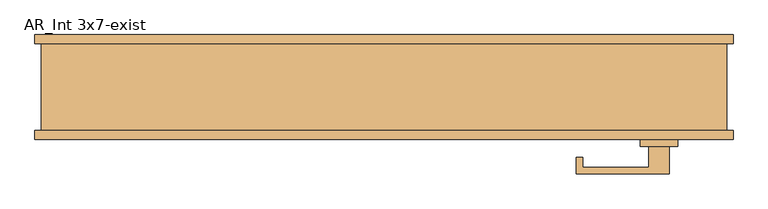
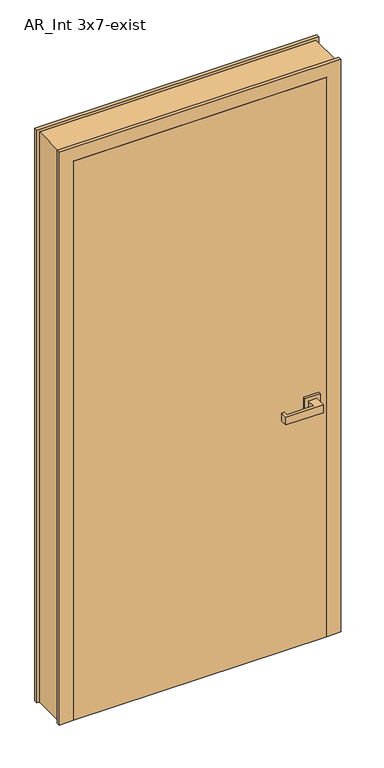
"""IFC4 building model written with IfcOpenShell, lengths in millimetres: door geometry, AR_Int 3x7-exist."""

from ifc_helpers import new_model, si_unit, frame, origin, origin_with_axes, place, context, project, spatial, polyline, outline, extrude, faceted_brep, source, transform, mapped, element, save


def ar_int_3x7_exist_f896f94a(model_context):
    return source(origin(), model_context, "Body", "SolidModel", [
        faceted_brep([(-406.5493445, -78.4545325, 0.0), (-406.5493445, -65.7545325, 0.0), (-397.0243445, -65.7545325, 0.0), (-397.0243445, 61.2454675, 0.0), (-406.5493445, 61.2454675, 0.0), (-406.5493445, 73.9454675, 0.0), (-355.7493445, 73.9454675, 0.0), (-355.7493445, 16.7954675, 0.0), (-343.0493445, 16.7954675, 0.0), (-343.0493445, -34.0045325, 0.0), (-355.7493445, -34.0045325, 0.0), (-355.7493445, -78.4545325, 0.0), (-355.7493445, -34.0045325, 2133.6), (-355.7493445, -78.4545325, 2133.6), (-343.0493445, 16.7954675, 2120.9), (-343.0493445, -34.0045325, 2120.9), (-355.7493445, 73.9454675, 2133.6), (-355.7493445, 16.7954675, 2133.6), (609.4506555, 73.9454675, 2184.4), (609.4506555, 61.2454675, 2184.4), (609.4506555, 61.2454675, 0.0), (609.4506555, 73.9454675, 0.0), (609.4506555, -78.4545325, 0.0), (609.4506555, -65.7545325, 0.0), (609.4506555, -65.7545325, 2184.4), (609.4506555, -78.4545325, 2184.4), (-406.5493445, 73.9454675, 2184.4), (558.6506555, 73.9454675, 0.0), (558.6506555, 73.9454675, 2133.6), (599.9256555, 61.2454675, 0.0), (599.9256555, -65.7545325, 0.0), (558.6506555, -78.4545325, 0.0), (558.6506555, -34.0045325, 0.0), (545.9506555, -34.0045325, 0.0), (545.9506555, 16.7954675, 0.0), (558.6506555, 16.7954675, 0.0), (558.6506555, -78.4545325, 2133.6), (-406.5493445, -78.4545325, 2184.4), (-406.5493445, 61.2454675, 2184.4), (-406.5493445, -65.7545325, 2184.4), (558.6506555, 16.7954675, 2133.6), (545.9506555, 16.7954675, 2120.9), (545.9506555, -34.0045325, 2120.9), (558.6506555, -34.0045325, 2133.6), (599.9256555, -65.7545325, 2174.875), (-397.0243445, -65.7545325, 2174.875), (-397.0243445, 61.2454675, 2174.875), (599.9256555, 61.2454675, 2174.875)], [[[0, 1, 2, 3, 4, 5, 6, 7, 8, 9, 10, 11]], [[10, 12, 13, 11]], [[8, 14, 15, 9]], [[6, 16, 17, 7]], [[18, 19, 20, 21]], [[22, 23, 24, 25]], [[5, 26, 18, 21, 27, 28, 16, 6]], [[21, 20, 29, 30, 23, 22, 31, 32, 33, 34, 35, 27]], [[11, 13, 36, 31, 22, 25, 37, 0]], [[5, 4, 38, 26]], [[37, 39, 1, 0]], [[35, 40, 28, 27]], [[7, 17, 40, 35, 34, 41, 14, 8]], [[33, 42, 41, 34]], [[9, 15, 42, 33, 32, 43, 12, 10]], [[31, 36, 43, 32]], [[25, 24, 39, 37]], [[26, 38, 19, 18]], [[16, 28, 40, 17]], [[14, 41, 42, 15]], [[12, 43, 36, 13]], [[44, 45, 2, 1, 39, 24, 23, 30]], [[29, 20, 19, 38, 4, 3, 46, 47]], [[45, 46, 3, 2]], [[30, 29, 47, 44]], [[47, 46, 45, 44]]]),
        extrude(outline(polyline([(516.5006555, 15.9954675), (516.5006555, -24.0045325), (486.5006555, -24.0045325), (486.5006555, 6.9954675), (390.5006555, 6.9954675), (390.5006555, -8.0045325), (381.5006555, -8.0045325), (381.5006555, 15.9954675), (516.5006555, 15.9954675)])), frame((0.0, 0.0, 899.4), z_axis=(0.0, 0.0, 1.0), x_axis=(1.0, 0.0, 0.0)), (0.0, 0.0, 1.0), 30.0),
        extrude(outline(polyline([(474.0006555, -24.0045325), (529.0006555, -24.0045325), (529.0006555, -34.0045325), (474.0006555, -34.0045325), (474.0006555, -24.0045325)])), frame((0.0, 0.0, 886.9), z_axis=(0.0, 0.0, 1.0), x_axis=(1.0, 0.0, 0.0)), (0.0, 0.0, 1.0), 55.0),
        extrude(outline(polyline([(516.5006555, -128.4545325), (381.5006555, -128.4545325), (381.5006555, -104.4545325), (390.5006555, -104.4545325), (390.5006555, -119.4545325), (486.5006555, -119.4545325), (486.5006555, -88.4545325), (516.5006555, -88.4545325), (516.5006555, -128.4545325)])), frame((0.0, 0.0, 899.4), z_axis=(0.0, 0.0, 1.0), x_axis=(1.0, 0.0, 0.0)), (0.0, 0.0, 1.0), 30.0),
        extrude(outline(polyline([(474.0006555, -88.4545325), (474.0006555, -78.4545325), (529.0006555, -78.4545325), (529.0006555, -88.4545325), (474.0006555, -88.4545325)])), frame((0.0, 0.0, 886.9), z_axis=(0.0, 0.0, 1.0), x_axis=(1.0, 0.0, 0.0)), (0.0, 0.0, 1.0), 55.0),
        extrude(outline(polyline([(-355.7493445, -78.4545325), (-355.7493445, -34.0045325), (558.6506555, -34.0045325), (558.6506555, -78.4545325), (-355.7493445, -78.4545325)])), origin_with_axes(), (0.0, 0.0, 1.0), 2133.6),
    ])


if __name__ == "__main__":
    model = new_model("IFC4")
    model_context = context("Model", 3, world=origin())
    ifc_project = project(units=[si_unit("LENGTHUNIT", "METRE", prefix="MILLI")], contexts=[model_context])
    site = spatial("IfcSite", under=ifc_project)
    building = spatial("IfcBuilding", under=site)
    placement = place(None, origin())
    ar_int_3x7_exist_shape = ar_int_3x7_exist_f896f94a(model_context)
    element("IfcDoor", 1, ObjectType="AR_Int 3x7-exist", at=placement, inside=building, context=model_context, shape_type="MappedRepresentation", body=[
        mapped(ar_int_3x7_exist_shape, transform((0.0, 0.0, 0.0), x_axis=(1.0, 0.0, 0.0), y_axis=(0.0, 1.0, 0.0), z_axis=(0.0, 0.0, 1.0))),
    ])
    save(model, "model.ifc")
